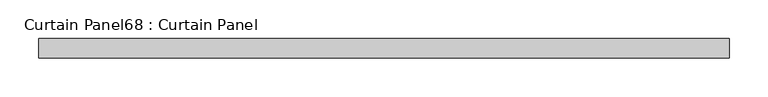
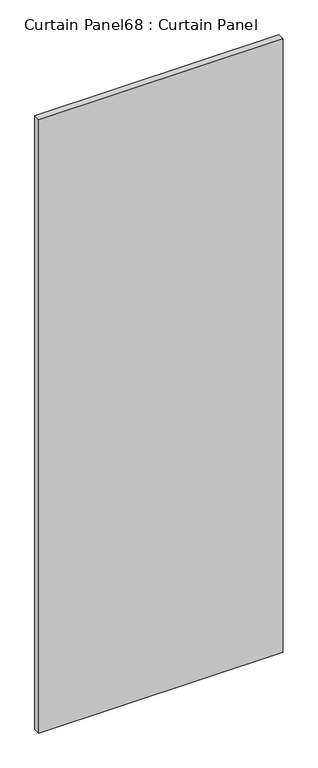
"""IFC4 building model written with IfcOpenShell, lengths in millimetres: plate geometry, Curtain Panel68 : Curtain Panel."""

import ifcopenshell
import ifcopenshell.guid

model = None  # the IFC model being written
_history = None  # IfcOwnerHistory: only IFC2X3 demands one
_inside = {}  # id of a spatial element -> (the spatial element, [elements in it])
_under = {}  # id of a project, library or spatial element -> (it, [spatial elements below it])
_declared = {}  # id of a project -> (the project, [libraries it declares])
_typed = {}  # id of a type object -> (the type object, [elements of that type])
_made_of = {}  # id of a material, layer set ... -> (it, [elements and type objects made of it])


def new_model(schema):
    """Start an empty IFC model of exactly this schema.

    Asked for "IFC4X3", IfcOpenShell would pick the latest addendum, in which some entities
    have other attributes; the version numbers below select the first issue.
    IFC2X3 requires an IfcOwnerHistory on every rooted entity: one is made here for all.
    """
    global model, _history
    if schema == "IFC4X3":
        model = ifcopenshell.file(schema_version=(4, 3, 0, 0))
    else:
        model = ifcopenshell.file(schema=schema)
    _inside.clear()
    _under.clear()
    _declared.clear()
    _typed.clear()
    _made_of.clear()
    _history = None
    if model.schema == "IFC2X3":
        org = make("IfcOrganization", Name="unknown")
        user = make(
            "IfcPersonAndOrganization",
            ThePerson=make("IfcPerson", FamilyName="unknown"),
            TheOrganization=org,
        )
        app = make(
            "IfcApplication",
            ApplicationDeveloper=org,
            Version="unknown",
            ApplicationFullName="unknown",
            ApplicationIdentifier="unknown",
        )
        _history = make(
            "IfcOwnerHistory",
            OwningUser=user,
            OwningApplication=app,
            ChangeAction="ADDED",
            CreationDate=0,
        )
    return model


def make(cls, **values):
    """One entity of the class cls with the attributes given. An attribute that is None is left unset."""
    return model.create_entity(
        cls, **{name: value for name, value in values.items() if value is not None}
    )


def rooted(cls, **values):
    """An entity with a GlobalId (a new one), such as an element, a storey or a relation."""
    return make(cls, GlobalId=ifcopenshell.guid.new(), OwnerHistory=_history, **values)


def si_unit(unit_type, name, prefix=None):
    """IfcSIUnit, for example si_unit("LENGTHUNIT", "METRE", prefix="MILLI")."""
    return make("IfcSIUnit", UnitType=unit_type, Prefix=prefix, Name=name)


def assignment(units):
    """IfcUnitAssignment: the units of a project."""
    return None if units is None else make("IfcUnitAssignment", Units=units)


def point(xyz):
    """IfcCartesianPoint."""
    return None if xyz is None else make("IfcCartesianPoint", Coordinates=xyz)


def direction(xyz):
    """IfcDirection."""
    return None if xyz is None else make("IfcDirection", DirectionRatios=xyz)


def frame(location, z_axis=None, x_axis=None):
    """IfcAxis2Placement3D, a coordinate frame: its origin and axes. An axis left out is left unset."""
    return make(
        "IfcAxis2Placement3D",
        Location=point(location),
        Axis=direction(z_axis),
        RefDirection=direction(x_axis),
    )


def origin():
    """The frame at (0, 0, 0) with its axes left unset."""
    return frame((0.0, 0.0, 0.0))


def place(relative_to, where):
    """IfcLocalPlacement: puts the frame where relative to a parent placement (None: the world)."""
    return make(
        "IfcLocalPlacement", PlacementRelTo=relative_to, RelativePlacement=where
    )


def context(
    kind, dimensions, precision=None, world=None, true_north=None, identifier=None
):
    """IfcGeometricRepresentationContext, for example the 3D "Model" context."""
    return make(
        "IfcGeometricRepresentationContext",
        ContextIdentifier=identifier,
        ContextType=kind,
        CoordinateSpaceDimension=dimensions,
        Precision=precision,
        WorldCoordinateSystem=world,
        TrueNorth=true_north,
    )


def project(units=None, contexts=None):
    """IfcProject with its units and contexts."""
    return rooted(
        "IfcProject",
        Name="project",
        RepresentationContexts=contexts,
        UnitsInContext=assignment(units),
    )


def spatial(cls, under=None, at=None, **own):
    """A site, building, storey or space (cls), placed at a placement, below another one or the project."""
    s = rooted(cls, ObjectPlacement=at, **own)
    if under is not None:
        _under.setdefault(under.id(), (under, []))[1].append(s)
    return s


def polyline(points):
    """IfcPolyline through the points."""
    return make("IfcPolyline", Points=[point(p) for p in points])


def outline(outer, holes=None, kind="AREA"):
    """IfcArbitraryClosedProfileDef: a profile drawn as a closed curve; with holes, ...WithVoids."""
    if holes is None:
        return make("IfcArbitraryClosedProfileDef", ProfileType=kind, OuterCurve=outer)
    return make(
        "IfcArbitraryProfileDefWithVoids",
        ProfileType=kind,
        OuterCurve=outer,
        InnerCurves=holes,
    )


def extrude(swept, where, along, depth):
    """IfcExtrudedAreaSolid: the profile swept, set in the frame where, extruded along a direction by depth."""
    return make(
        "IfcExtrudedAreaSolid",
        SweptArea=swept,
        Position=where,
        ExtrudedDirection=direction(along),
        Depth=depth,
    )


def shape(context_of_items, identifier, shape_type, items):
    """IfcShapeRepresentation: the items that make up one representation, for example the "Body"."""
    return make(
        "IfcShapeRepresentation",
        ContextOfItems=context_of_items,
        RepresentationIdentifier=identifier,
        RepresentationType=shape_type,
        Items=items,
    )


def source(mapping_origin, context_of_items, identifier, shape_type, items):
    """IfcRepresentationMap: a shape defined once, which mapped items show again and again."""
    return make(
        "IfcRepresentationMap",
        MappingOrigin=mapping_origin,
        MappedRepresentation=shape(context_of_items, identifier, shape_type, items),
    )


def transform(
    local_origin,
    x_axis=None,
    y_axis=None,
    z_axis=None,
    scale=None,
    scale2=None,
    scale3=None,
    uniform=True,
):
    """IfcCartesianTransformationOperator3D, or its non-uniform kind. x_axis, y_axis, z_axis: its Axis1, 2, 3."""
    if uniform:
        return make(
            "IfcCartesianTransformationOperator3D",
            Axis1=direction(x_axis),
            Axis2=direction(y_axis),
            LocalOrigin=point(local_origin),
            Scale=scale,
            Axis3=direction(z_axis),
        )
    return make(
        "IfcCartesianTransformationOperator3DnonUniform",
        Axis1=direction(x_axis),
        Axis2=direction(y_axis),
        LocalOrigin=point(local_origin),
        Scale=scale,
        Axis3=direction(z_axis),
        Scale2=scale2,
        Scale3=scale3,
    )


def mapped(mapping_source, mapping_target):
    """IfcMappedItem: shows the shape of a source again, moved by a transform."""
    return make(
        "IfcMappedItem", MappingSource=mapping_source, MappingTarget=mapping_target
    )


def made_of(thing, what):
    """Note that an element or type object is made of a material, layer set ...; save() writes the relation."""
    if what is not None:
        _made_of.setdefault(what.id(), (what, []))[1].append(thing)
    return thing


def element(
    cls,
    number,
    at=None,
    inside=None,
    cuts=None,
    type_object=None,
    material=None,
    context=None,
    identifier="Body",
    shape_type=None,
    held_by="IfcProductDefinitionShape",
    body=None,
    shapes=None,
    **own,
):
    """One element of the class cls, such as IfcWall. Its Tag is "e" and its number.

    at: its placement. inside: the storey or other place that contains it. cuts: it is an
    opening in that element (IfcRelVoidsElement). A single representation is given by context,
    identifier, shape_type and body (its items); several are given by shapes. held_by: the class
    of the entity that holds the representations. save() writes the other relations.
    """
    e = rooted(cls, Tag="e%d" % number, ObjectPlacement=at, **own)
    if body is not None:
        shapes = [shape(context, identifier, shape_type, body)]
    if shapes is not None:
        e.Representation = make(held_by, Representations=shapes)
    if inside is not None:
        _inside.setdefault(inside.id(), (inside, []))[1].append(e)
    if cuts is not None:
        rooted(
            "IfcRelVoidsElement", RelatingBuildingElement=cuts, RelatedOpeningElement=e
        )
    if type_object is not None:
        _typed.setdefault(type_object.id(), (type_object, []))[1].append(e)
    return made_of(e, material)


def aggregate(whole, parts):
    """IfcRelAggregates: a whole, such as a stair, and the parts it consists of."""
    return rooted("IfcRelAggregates", RelatingObject=whole, RelatedObjects=parts)


def save(model, path):
    """Write the relations noted so far, then the file.

    IfcRelAggregates (storeys below a building ...), IfcRelContainedInSpatialStructure (elements
    in a storey), IfcRelDefinesByType, IfcRelAssociatesMaterial and IfcRelDeclares: one each for
    every whole, place, type object, material and project.
    """
    for whole, parts in _under.values():
        aggregate(whole, parts)
    for where, things in _inside.values():
        rooted(
            "IfcRelContainedInSpatialStructure",
            RelatedElements=things,
            RelatingStructure=where,
        )
    for kind, things in _typed.values():
        rooted("IfcRelDefinesByType", RelatedObjects=things, RelatingType=kind)
    for what, things in _made_of.values():
        rooted("IfcRelAssociatesMaterial", RelatedObjects=things, RelatingMaterial=what)
    for by, libraries in _declared.values():
        rooted("IfcRelDeclares", RelatingContext=by, RelatedDefinitions=libraries)
    model.write(path)


def curtain_panel68_curtain_panel_37f638f8(model_context):
    return source(origin(), model_context, "Body", "SweptSolid", [
        extrude(outline(polyline([(-35316.6159538, -1283.4463534), (-36211.9659275, -1283.4463534), (-36211.9659275, -1258.0463534), (-35316.6159538, -1258.0463534), (-35316.6159538, -1283.4463534)])), frame((0.0, 0.0, 54.0872101), z_axis=(0.0, 0.0, 1.0), x_axis=(1.0, 0.0, 0.0)), (0.0, 0.0, 1.0), 2374.7877899),
    ])


if __name__ == "__main__":
    model = new_model("IFC4")
    model_context = context("Model", 3, world=origin())
    ifc_project = project(units=[si_unit("LENGTHUNIT", "METRE", prefix="MILLI")], contexts=[model_context])
    site = spatial("IfcSite", under=ifc_project)
    building = spatial("IfcBuilding", under=site)
    placement = place(None, origin())
    curtain_panel68_curtain_panel_shape = curtain_panel68_curtain_panel_37f638f8(model_context)
    element("IfcPlate", 1, ObjectType="Curtain Panel68 : Curtain Panel", at=placement, inside=building, context=model_context, shape_type="MappedRepresentation", body=[
        mapped(curtain_panel68_curtain_panel_shape, transform((0.0, 0.0, 0.0), x_axis=(1.0, 0.0, 0.0), y_axis=(0.0, 1.0, 0.0), z_axis=(0.0, 0.0, 1.0))),
    ])
    save(model, "model.ifc")
